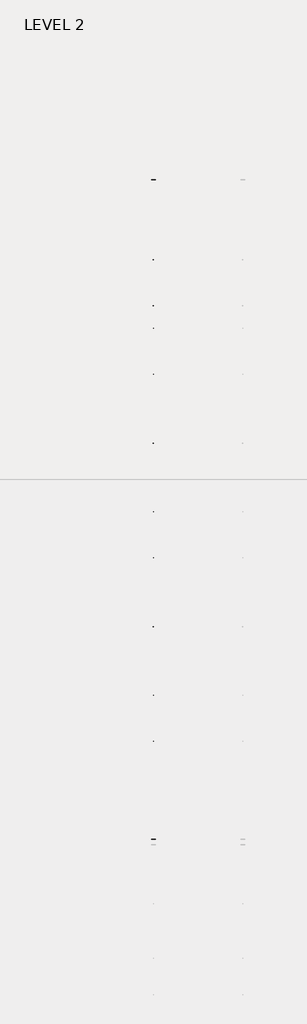
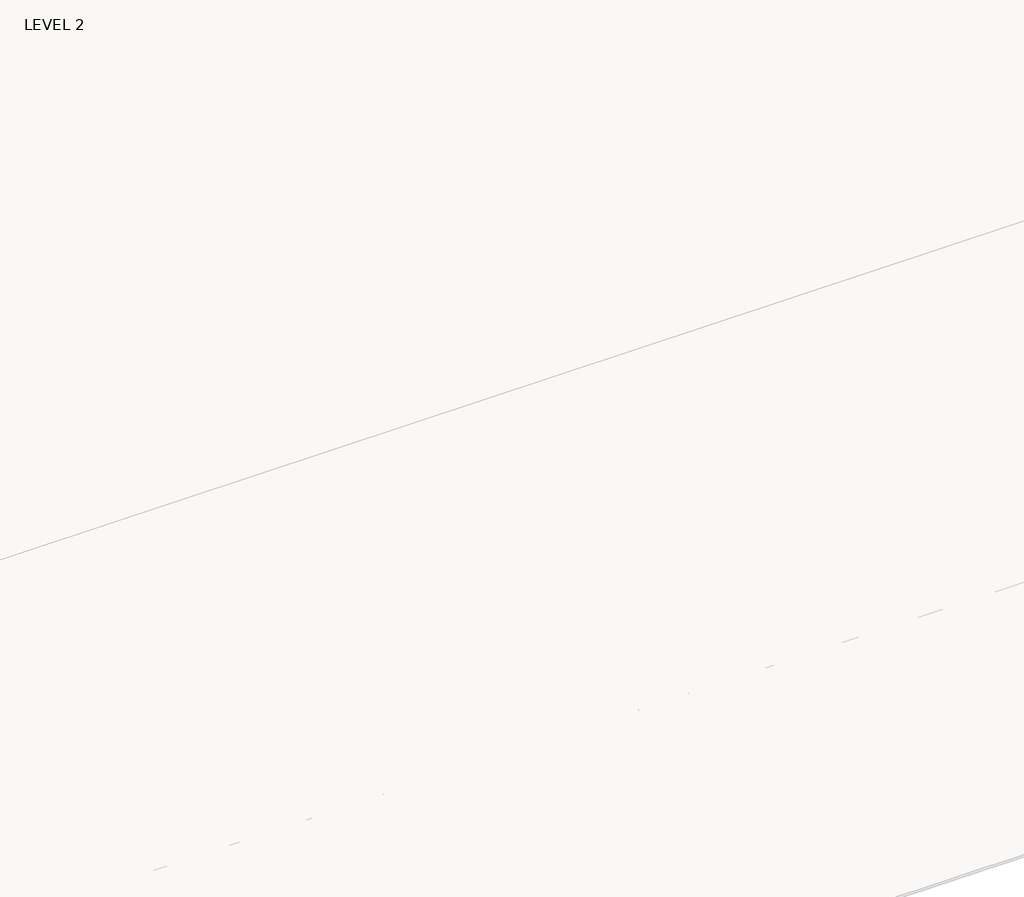
# One storey, part 48 of 67: 1 beam.
"""IFC4 building model written with IfcOpenShell, lengths in millimetres."""

from ifc_helpers import new_model, si_unit, frame, origin, place, context, project, spatial, polyline, outline, extrude, faceted_brep, element, save

model = new_model("IFC4")

# Units and contexts
model_context = context("Model", 3, world=origin())
ifc_project = project(units=[si_unit("LENGTHUNIT", "METRE", prefix="MILLI")], contexts=[model_context])

# Site, building, storey
site = spatial("IfcSite", under=ifc_project)
building = spatial("IfcBuilding", under=site)
storey = spatial("IfcBuildingStorey", under=building, Name="LEVEL 2", Elevation=6908.8)

# Beam
placement = place(None, origin())
element("IfcBeam", 1, ObjectType="K-Series Bar Joist-Angle Web : 30K7", at=placement, inside=storey, context=model_context, shape_type="SolidModel", body=[
    extrude(outline(polyline([(0.0, -9.525), (0.0, 0.0), (1596.011582, 0.0), (1596.011582, -9.525), (0.0, -9.525)])), frame((42280.4319742, 3035.5608234, 6301.5998528), z_axis=(0.0, -0.45537207995192985, 0.8903012236317849), x_axis=(0.0, -0.8903012236317849, -0.45537207995192985)), (0.0, 0.0, 1.0), 9.525),
    extrude(outline(polyline([(0.0, -9.525), (0.0, 0.0), (1596.011582, 0.0), (1596.011582, -9.525), (0.0, -9.525)])), frame((42270.9069742, -9405.2089013, 6276.405159), z_axis=(0.0, 0.45176233395621196, 0.8921383265046045), x_axis=(0.0, 0.8921383265046045, -0.45176233395621196)), (0.0, 0.0, 1.0), 9.525),
    extrude(outline(polyline([(4.7625, 4.7625), (4.7625, -4.7625), (-4.7625, -4.7625), (-4.7625, 4.7625), (4.7625, 4.7625)])), frame((42275.6694742, 1612.4610495, 5579.0607987), z_axis=(0.0, 0.5141906943646374, 0.8576758885667779), x_axis=(-1.0, 0.0, 0.0)), (0.0, 0.0, 1.0), 845.0528554),
    extrude(outline(polyline([(4.7625, 4.7625), (4.7625, -4.7625), (-4.7625, -4.7625), (-4.7625, 4.7625), (4.7625, 4.7625)])), frame((42275.6694742, -7979.1942813, 5559.6360505), z_axis=(0.0, -0.5176603441548682, 0.8555862131249332), x_axis=(-1.0, 0.0, 0.0)), (0.0, 0.0, 1.0), 845.0528554),
    extrude(outline(polyline([(0.0, 0.0), (31.75, 0.0), (31.75, -6.35), (6.35, -6.35), (6.35, -31.75), (0.0, -31.75), (0.0, 0.0)])), frame((42280.4319742, -8080.7812131, 5553.0803065), z_axis=(0.0, 0.9999979493462576, 0.0020251674695521043), x_axis=(1.0, 0.0, 0.0)), (0.0, 0.0, 1.0), 9794.875),
    extrude(outline(polyline([(-9.525, 0.0), (-9.525, -31.75), (-15.875, -31.75), (-15.875, -6.35), (-41.275, -6.35), (-41.275, 0.0), (-9.525, 0.0)])), frame((42280.4319742, -8080.7812131, 5553.0803065), z_axis=(0.0, 0.9999979493462576, 0.0020251674695521043), x_axis=(1.0, 0.0, 0.0)), (0.0, 0.0, 1.0), 9794.875),
    extrude(outline(polyline([(-31.75, 0.0), (0.0, 0.0), (0.0, -6.35), (-25.4, -6.35), (-25.4, -31.75), (-31.75, -31.75), (-31.75, 0.0)])), frame((42312.1819742, -9504.5928758, 6248.6982759), z_axis=(0.0, 0.9999979493462576, 0.0020251674695521043), x_axis=(1.0, 0.0, 0.0)), (0.0, 0.0, 1.0), 101.6),
    extrude(outline(polyline([(-41.275, 0.0), (-41.275, -31.75), (-47.625, -31.75), (-47.625, -6.35), (-73.025, -6.35), (-73.025, 0.0), (-41.275, 0.0)])), frame((42312.1819742, -9504.5928758, 6248.6982759), z_axis=(0.0, 0.9999979493462576, 0.0020251674695521043), x_axis=(1.0, 0.0, 0.0)), (0.0, 0.0, 1.0), 101.6),
    extrude(outline(polyline([(0.0, 0.0), (31.75, 0.0), (31.75, -6.35), (6.35, -6.35), (6.35, -31.75), (0.0, -31.75), (0.0, 0.0)])), frame((42270.9069742, 3033.456413, 6274.0899775), z_axis=(0.0, 0.9999979493462576, 0.0020251674695521043), x_axis=(0.0, -0.0020251674695521043, 0.9999979493462576)), (0.0, 0.0, 1.0), 101.6),
    extrude(outline(polyline([(0.0, 41.275), (6.35, 41.275), (6.35, 15.875), (31.75, 15.875), (31.75, 9.525), (0.0, 9.525), (0.0, 41.275)])), frame((42270.9069742, 3033.456413, 6274.0899775), z_axis=(0.0, 0.9999979493462576, 0.0020251674695521043), x_axis=(0.0, -0.0020251674695521043, 0.9999979493462576)), (0.0, 0.0, 1.0), 101.6),
    extrude(outline(polyline([(0.0, 0.0), (31.75, 0.0), (31.75, -6.35), (6.35, -6.35), (6.35, -31.75), (0.0, -31.75), (0.0, 0.0)])), frame((42280.4319742, -9504.7214739, 6312.1981457), z_axis=(0.0, 0.9999979493462576, 0.0020251674695521043), x_axis=(0.0, 0.0020251674695521043, -0.9999979493462576)), (0.0, 0.0, 1.0), 12639.675),
    extrude(outline(polyline([(0.0, 9.525), (0.0, 41.275), (6.35, 41.275), (6.35, 15.875), (31.75, 15.875), (31.75, 9.525), (0.0, 9.525)])), frame((42280.4319742, -9504.7214739, 6312.1981457), z_axis=(0.0, 0.9999979493462576, 0.0020251674695521043), x_axis=(0.0, 0.0020251674695521043, -0.9999979493462576)), (0.0, 0.0, 1.0), 12639.675),
    faceted_brep([(42275.6694742, 1612.4289, 5594.9357661), (42275.6694742, 1612.4674794, 5575.8858052), (42270.9069742, 1612.4674794, 5575.8858052), (42270.9069742, 1612.4289, 5594.9357661), (42275.6694742, 1611.5910583, 5594.9340693), (42275.6694742, 1186.8149607, 6330.6753354), (42275.6694742, 1168.6028414, 6330.6384527), (42275.6694742, 1168.6414208, 6311.5884918), (42275.6694742, 1175.8292494, 6311.6030483), (42275.6694742, 1600.6053471, 5575.8617823), (42270.9069742, 1600.6053471, 5575.8617823), (42270.9069742, 1580.4651011, 5610.7460665), (42270.9069742, 1584.5895575, 5613.1272983), (42270.9069742, 1189.1083632, 6298.1277874), (42270.9069742, 1184.9839067, 6295.7465555), (42270.9069742, 1175.8292494, 6311.6030483), (42270.9069742, 1168.6414208, 6311.5884918), (42270.9069742, 1168.6028414, 6330.6384527), (42270.9069742, 1186.8149607, 6330.6753354), (42270.9069742, 1611.5910583, 5594.9340693), (42258.2069742, 1184.9839067, 6295.7465555), (42258.2069742, 1580.4651011, 5610.7460665), (42258.2069742, 1584.5895575, 5613.1272983), (42258.2069742, 1189.1083632, 6298.1277874)], [[[0, 1, 2, 3]], [[1, 0, 4, 5, 6, 7, 8, 9]], [[2, 1, 9, 10]], [[3, 2, 10, 11, 12, 13, 14, 15, 16, 17, 18, 19]], [[0, 3, 19, 4]], [[9, 8, 15, 14, 20, 21, 11, 10]], [[5, 4, 19, 18]], [[7, 6, 17, 16]], [[8, 7, 16, 15]], [[6, 5, 18, 17]], [[21, 22, 12, 11]], [[20, 14, 13, 23]], [[22, 21, 20, 23]], [[12, 22, 23, 13]]]),
    extrude(outline(polyline([(740.498813, 5574.119919), (740.4602335, 5593.1698799), (741.2980751, 5593.1715767), (1163.090696, 6330.6272897), (1181.3028154, 6330.6641723), (1181.3413948, 6311.6142114), (1174.1535662, 6311.5996548), (752.3609453, 5574.1439418), (740.498813, 5574.119919)])), frame((42275.6694742, 0.0, 0.0), z_axis=(1.0, 0.0, 0.0), x_axis=(0.0, 1.0, 0.0)), (0.0, 0.0, 1.0), 4.7625),
    extrude(outline(polyline([(-4.7625, 4.7625), (-4.7625, 0.0), (-17.4625, 0.0), (-17.4625, 4.7625), (-4.7625, 4.7625)])), frame((42275.6694742, 772.3597334, 5609.1095144), z_axis=(0.0, 0.4964843899757221, 0.8680456500152716), x_axis=(-1.0, 0.0, 0.0)), (0.0, 0.0, 1.0), 790.9684223),
    faceted_brep([(42275.6694742, -7107.2577644, 5577.2769041), (42275.6694742, -7107.219185, 5558.2269432), (42270.9069742, -7107.219185, 5558.2269432), (42270.9069742, -7107.2577644, 5577.2769041), (42275.6694742, -7108.095606, 5577.2752074), (42275.6694742, -7532.8717036, 6313.0164734), (42275.6694742, -7551.083823, 6312.9795907), (42275.6694742, -7551.0452435, 6293.9296298), (42275.6694742, -7543.8574149, 6293.9441864), (42275.6694742, -7119.0813173, 5558.2029203), (42270.9069742, -7119.0813173, 5558.2029203), (42270.9069742, -7139.2215633, 5593.0872045), (42270.9069742, -7135.0971068, 5595.4684363), (42270.9069742, -7530.5783012, 6280.4689254), (42270.9069742, -7534.7027576, 6278.0876936), (42270.9069742, -7543.8574149, 6293.9441864), (42270.9069742, -7551.0452435, 6293.9296298), (42270.9069742, -7551.083823, 6312.9795907), (42270.9069742, -7532.8717036, 6313.0164734), (42270.9069742, -7108.095606, 5577.2752074), (42258.2069742, -7534.7027576, 6278.0876936), (42258.2069742, -7139.2215633, 5593.0872045), (42258.2069742, -7135.0971068, 5595.4684363), (42258.2069742, -7530.5783012, 6280.4689254)], [[[0, 1, 2, 3]], [[1, 0, 4, 5, 6, 7, 8, 9]], [[2, 1, 9, 10]], [[3, 2, 10, 11, 12, 13, 14, 15, 16, 17, 18, 19]], [[0, 3, 19, 4]], [[9, 8, 15, 14, 20, 21, 11, 10]], [[5, 4, 19, 18]], [[7, 6, 17, 16]], [[8, 7, 16, 15]], [[6, 5, 18, 17]], [[21, 22, 12, 11]], [[20, 14, 13, 23]], [[22, 21, 20, 23]], [[12, 22, 23, 13]]]),
    extrude(outline(polyline([(-7979.1878514, 5556.461057), (-7979.2264308, 5575.5110179), (-7978.3885892, 5575.5127147), (-7556.5959683, 6312.9684277), (-7538.383849, 6313.0053103), (-7538.3452696, 6293.9553494), (-7545.5330982, 6293.9407928), (-7967.3257191, 5556.4850798), (-7979.1878514, 5556.461057)])), frame((42275.6694742, 0.0, 0.0), z_axis=(1.0, 0.0, 0.0), x_axis=(0.0, 1.0, 0.0)), (0.0, 0.0, 1.0), 4.7625),
    extrude(outline(polyline([(-4.7625, 4.7625), (-4.7625, 0.0), (-17.4625, 0.0), (-17.4625, 4.7625), (-4.7625, 4.7625)])), frame((42275.6694742, -7947.326931, 5591.4506524), z_axis=(0.0, 0.4964843899757221, 0.8680456500152716), x_axis=(-1.0, 0.0, 0.0)), (0.0, 0.0, 1.0), 790.9684223),
    faceted_brep([(42275.6694742, 740.4602335, 5593.1698799), (42275.6694742, 740.498813, 5574.119919), (42270.9069742, 740.498813, 5574.119919), (42270.9069742, 740.4602335, 5593.1698799), (42275.6694742, 739.6223919, 5593.1681831), (42275.6694742, 314.8462943, 6328.9094492), (42275.6694742, 296.634175, 6328.8725665), (42275.6694742, 296.6727544, 6309.8226056), (42275.6694742, 303.860583, 6309.8371621), (42275.6694742, 728.6366806, 5574.0958961), (42270.9069742, 728.6366806, 5574.0958961), (42270.9069742, 708.4964346, 5608.9801803), (42270.9069742, 712.6208911, 5611.3614121), (42270.9069742, 317.1396968, 6296.3619012), (42270.9069742, 313.0152403, 6293.9806693), (42270.9069742, 303.860583, 6309.8371621), (42270.9069742, 296.6727544, 6309.8226056), (42270.9069742, 296.634175, 6328.8725665), (42270.9069742, 314.8462943, 6328.9094492), (42270.9069742, 739.6223919, 5593.1681831), (42258.2069742, 313.0152403, 6293.9806693), (42258.2069742, 708.4964346, 5608.9801803), (42258.2069742, 712.6208911, 5611.3614121), (42258.2069742, 317.1396968, 6296.3619012)], [[[0, 1, 2, 3]], [[1, 0, 4, 5, 6, 7, 8, 9]], [[2, 1, 9, 10]], [[3, 2, 10, 11, 12, 13, 14, 15, 16, 17, 18, 19]], [[0, 3, 19, 4]], [[9, 8, 15, 14, 20, 21, 11, 10]], [[5, 4, 19, 18]], [[7, 6, 17, 16]], [[8, 7, 16, 15]], [[6, 5, 18, 17]], [[21, 22, 12, 11]], [[20, 14, 13, 23]], [[22, 21, 20, 23]], [[12, 22, 23, 13]]]),
    extrude(outline(polyline([(-131.4698535, 5572.3540328), (-131.5084329, 5591.4039937), (-130.6705913, 5591.4056905), (291.1220296, 6328.8614035), (309.3341489, 6328.8982861), (309.3727284, 6309.8483252), (302.1848998, 6309.8337686), (-119.6077211, 5572.3780556), (-131.4698535, 5572.3540328)])), frame((42275.6694742, 0.0, 0.0), z_axis=(1.0, 0.0, 0.0), x_axis=(0.0, 1.0, 0.0)), (0.0, 0.0, 1.0), 4.7625),
    extrude(outline(polyline([(-4.7625, 4.7625), (-4.7625, 0.0), (-17.4625, 0.0), (-17.4625, 4.7625), (-4.7625, 4.7625)])), frame((42275.6694742, -99.6089331, 5607.3436282), z_axis=(0.0, 0.4964843899757221, 0.8680456500152716), x_axis=(-1.0, 0.0, 0.0)), (0.0, 0.0, 1.0), 790.9684223),
    faceted_brep([(42275.6694742, -131.5084329, 5591.4039937), (42275.6694742, -131.4698535, 5572.3540328), (42270.9069742, -131.4698535, 5572.3540328), (42270.9069742, -131.5084329, 5591.4039937), (42275.6694742, -132.3462745, 5591.4022969), (42275.6694742, -557.1223722, 6327.143563), (42275.6694742, -575.3344915, 6327.1066803), (42275.6694742, -575.295912, 6308.0567194), (42275.6694742, -568.1080834, 6308.0712759), (42275.6694742, -143.3319858, 5572.3300099), (42270.9069742, -143.3319858, 5572.3300099), (42270.9069742, -163.4722318, 5607.2142941), (42270.9069742, -159.3477753, 5609.5955259), (42270.9069742, -554.8289697, 6294.596015), (42270.9069742, -558.9534262, 6292.2147831), (42270.9069742, -568.1080834, 6308.0712759), (42270.9069742, -575.295912, 6308.0567194), (42270.9069742, -575.3344915, 6327.1066803), (42270.9069742, -557.1223722, 6327.143563), (42270.9069742, -132.3462745, 5591.4022969), (42258.2069742, -558.9534262, 6292.2147831), (42258.2069742, -163.4722318, 5607.2142941), (42258.2069742, -159.3477753, 5609.5955259), (42258.2069742, -554.8289697, 6294.596015)], [[[0, 1, 2, 3]], [[1, 0, 4, 5, 6, 7, 8, 9]], [[2, 1, 9, 10]], [[3, 2, 10, 11, 12, 13, 14, 15, 16, 17, 18, 19]], [[0, 3, 19, 4]], [[9, 8, 15, 14, 20, 21, 11, 10]], [[5, 4, 19, 18]], [[7, 6, 17, 16]], [[8, 7, 16, 15]], [[6, 5, 18, 17]], [[21, 22, 12, 11]], [[20, 14, 13, 23]], [[22, 21, 20, 23]], [[12, 22, 23, 13]]]),
    extrude(outline(polyline([(-1003.4385199, 5570.5881466), (-1003.4770993, 5589.6381075), (-1002.6392577, 5589.6398043), (-580.8466368, 6327.0955173), (-562.6345175, 6327.1323999), (-562.5959381, 6308.082439), (-569.7837667, 6308.0678824), (-991.5763876, 5570.6121694), (-1003.4385199, 5570.5881466)])), frame((42275.6694742, 0.0, 0.0), z_axis=(1.0, 0.0, 0.0), x_axis=(0.0, 1.0, 0.0)), (0.0, 0.0, 1.0), 4.7625),
    extrude(outline(polyline([(-4.7625, 4.7625), (-4.7625, 0.0), (-17.4625, 0.0), (-17.4625, 4.7625), (-4.7625, 4.7625)])), frame((42275.6694742, -971.5775995, 5605.577742), z_axis=(0.0, 0.4964843899757221, 0.8680456500152716), x_axis=(-1.0, 0.0, 0.0)), (0.0, 0.0, 1.0), 790.9684223),
    faceted_brep([(42275.6694742, -1003.4770993, 5589.6381075), (42275.6694742, -1003.4385199, 5570.5881466), (42270.9069742, -1003.4385199, 5570.5881466), (42270.9069742, -1003.4770993, 5589.6381075), (42275.6694742, -1004.314941, 5589.6364107), (42275.6694742, -1429.0910386, 6325.3776768), (42275.6694742, -1447.3031579, 6325.3407941), (42275.6694742, -1447.2645785, 6306.2908332), (42275.6694742, -1440.0767499, 6306.3053897), (42275.6694742, -1015.3006522, 5570.5641237), (42270.9069742, -1015.3006522, 5570.5641237), (42270.9069742, -1035.4408983, 5605.4484079), (42270.9069742, -1031.3164418, 5607.8296397), (42270.9069742, -1426.7976361, 6292.8301288), (42270.9069742, -1430.9220926, 6290.4488969), (42270.9069742, -1440.0767499, 6306.3053897), (42270.9069742, -1447.2645785, 6306.2908332), (42270.9069742, -1447.3031579, 6325.3407941), (42270.9069742, -1429.0910386, 6325.3776768), (42270.9069742, -1004.314941, 5589.6364107), (42258.2069742, -1430.9220926, 6290.4488969), (42258.2069742, -1035.4408983, 5605.4484079), (42258.2069742, -1031.3164418, 5607.8296397), (42258.2069742, -1426.7976361, 6292.8301288)], [[[0, 1, 2, 3]], [[1, 0, 4, 5, 6, 7, 8, 9]], [[2, 1, 9, 10]], [[3, 2, 10, 11, 12, 13, 14, 15, 16, 17, 18, 19]], [[0, 3, 19, 4]], [[9, 8, 15, 14, 20, 21, 11, 10]], [[5, 4, 19, 18]], [[7, 6, 17, 16]], [[8, 7, 16, 15]], [[6, 5, 18, 17]], [[21, 22, 12, 11]], [[20, 14, 13, 23]], [[22, 21, 20, 23]], [[12, 22, 23, 13]]]),
    extrude(outline(polyline([(-1875.4071863, 5568.8222604), (-1875.4457658, 5587.8722213), (-1874.6079242, 5587.8739181), (-1452.8153033, 6325.3296311), (-1434.6031839, 6325.3665137), (-1434.5646045, 6306.3165528), (-1441.7524331, 6306.3019962), (-1863.545054, 5568.8462832), (-1875.4071863, 5568.8222604)])), frame((42275.6694742, 0.0, 0.0), z_axis=(1.0, 0.0, 0.0), x_axis=(0.0, 1.0, 0.0)), (0.0, 0.0, 1.0), 4.7625),
    extrude(outline(polyline([(-4.7625, 4.7625001), (-4.7625, 0.0), (-17.4625, 0.0), (-17.4625, 4.7625001), (-4.7625, 4.7625001)])), frame((42275.6694742, -1843.5462659, 5603.8118558), z_axis=(0.0, 0.4964843899757221, 0.8680456500152716), x_axis=(-1.0, 0.0, 0.0)), (0.0, 0.0, 1.0), 790.9684223),
    faceted_brep([(42275.6694742, -1875.4457658, 5587.8722213), (42275.6694742, -1875.4071863, 5568.8222604), (42270.9069742, -1875.4071863, 5568.8222604), (42270.9069742, -1875.4457658, 5587.8722213), (42275.6694742, -1876.2836074, 5587.8705245), (42275.6694742, -2301.059705, 6323.6117906), (42275.6694742, -2319.2718243, 6323.5749079), (42275.6694742, -2319.2332449, 6304.524947), (42275.6694742, -2312.0454163, 6304.5395035), (42275.6694742, -1887.2693187, 5568.7982375), (42270.9069742, -1887.2693187, 5568.7982375), (42270.9069742, -1907.4095647, 5603.6825217), (42270.9069742, -1903.2851082, 5606.0637535), (42270.9069742, -2298.7663026, 6291.0642426), (42270.9069742, -2302.890759, 6288.6830107), (42270.9069742, -2312.0454163, 6304.5395035), (42270.9069742, -2319.2332449, 6304.524947), (42270.9069742, -2319.2718243, 6323.5749079), (42270.9069742, -2301.059705, 6323.6117906), (42270.9069742, -1876.2836074, 5587.8705245), (42258.2069742, -2302.890759, 6288.6830107), (42258.2069742, -1907.4095647, 5603.6825217), (42258.2069742, -1903.2851082, 5606.0637535), (42258.2069742, -2298.7663026, 6291.0642426)], [[[0, 1, 2, 3]], [[1, 0, 4, 5, 6, 7, 8, 9]], [[2, 1, 9, 10]], [[3, 2, 10, 11, 12, 13, 14, 15, 16, 17, 18, 19]], [[0, 3, 19, 4]], [[9, 8, 15, 14, 20, 21, 11, 10]], [[5, 4, 19, 18]], [[7, 6, 17, 16]], [[8, 7, 16, 15]], [[6, 5, 18, 17]], [[21, 22, 12, 11]], [[20, 14, 13, 23]], [[22, 21, 20, 23]], [[12, 22, 23, 13]]]),
    extrude(outline(polyline([(-2747.3758528, 5567.0563742), (-2747.4144322, 5586.1063351), (-2746.5765906, 5586.1080319), (-2324.7839697, 6323.5637449), (-2306.5718504, 6323.6006275), (-2306.5332709, 6304.5506666), (-2313.7210995, 6304.53611), (-2735.5137204, 5567.080397), (-2747.3758528, 5567.0563742)])), frame((42275.6694742, 0.0, 0.0), z_axis=(1.0, 0.0, 0.0), x_axis=(0.0, 1.0, 0.0)), (0.0, 0.0, 1.0), 4.7625),
    extrude(outline(polyline([(-4.7625, 4.7625), (-4.7625, 0.0), (-17.4625, 0.0), (-17.4625, 4.7625), (-4.7625, 4.7625)])), frame((42275.6694742, -2715.5149324, 5602.0459696), z_axis=(0.0, 0.4964843899757221, 0.8680456500152716), x_axis=(-1.0, 0.0, 0.0)), (0.0, 0.0, 1.0), 790.9684223),
    faceted_brep([(42275.6694742, -2747.4144322, 5586.1063351), (42275.6694742, -2747.3758528, 5567.0563742), (42270.9069742, -2747.3758528, 5567.0563742), (42270.9069742, -2747.4144322, 5586.1063351), (42275.6694742, -2748.2522738, 5586.1046383), (42275.6694742, -3173.0283715, 6321.8459044), (42275.6694742, -3191.2404908, 6321.8090217), (42275.6694742, -3191.2019113, 6302.7590608), (42275.6694742, -3184.0140827, 6302.7736173), (42275.6694742, -2759.2379851, 5567.0323513), (42270.9069742, -2759.2379851, 5567.0323513), (42270.9069742, -2779.3782311, 5601.9166355), (42270.9069742, -2775.2537747, 5604.2978673), (42270.9069742, -3170.734969, 6289.2983564), (42270.9069742, -3174.8594255, 6286.9171245), (42270.9069742, -3184.0140827, 6302.7736173), (42270.9069742, -3191.2019113, 6302.7590608), (42270.9069742, -3191.2404908, 6321.8090217), (42270.9069742, -3173.0283715, 6321.8459044), (42270.9069742, -2748.2522738, 5586.1046383), (42258.2069742, -3174.8594255, 6286.9171245), (42258.2069742, -2779.3782311, 5601.9166355), (42258.2069742, -2775.2537747, 5604.2978673), (42258.2069742, -3170.734969, 6289.2983564)], [[[0, 1, 2, 3]], [[1, 0, 4, 5, 6, 7, 8, 9]], [[2, 1, 9, 10]], [[3, 2, 10, 11, 12, 13, 14, 15, 16, 17, 18, 19]], [[0, 3, 19, 4]], [[9, 8, 15, 14, 20, 21, 11, 10]], [[5, 4, 19, 18]], [[7, 6, 17, 16]], [[8, 7, 16, 15]], [[6, 5, 18, 17]], [[21, 22, 12, 11]], [[20, 14, 13, 23]], [[22, 21, 20, 23]], [[12, 22, 23, 13]]]),
    extrude(outline(polyline([(-3619.3445192, 5565.290488), (-3619.3830987, 5584.3404489), (-3618.545257, 5584.3421457), (-3196.7526361, 6321.7978587), (-3178.5405168, 6321.8347413), (-3178.5019374, 6302.7847804), (-3185.689766, 6302.7702238), (-3607.4823869, 5565.3145108), (-3619.3445192, 5565.290488)])), frame((42275.6694742, 0.0, 0.0), z_axis=(1.0, 0.0, 0.0), x_axis=(0.0, 1.0, 0.0)), (0.0, 0.0, 1.0), 4.7625),
    extrude(outline(polyline([(-4.7625, 4.7625), (-4.7625, 0.0), (-17.4625, 0.0), (-17.4625, 4.7625), (-4.7625, 4.7625)])), frame((42275.6694742, -3587.4835988, 5600.2800834), z_axis=(0.0, 0.4964843899757221, 0.8680456500152716), x_axis=(-1.0, 0.0, 0.0)), (0.0, 0.0, 1.0), 790.9684223),
    faceted_brep([(42275.6694742, -3619.3830987, 5584.3404489), (42275.6694742, -3619.3445192, 5565.290488), (42270.9069742, -3619.3445192, 5565.290488), (42270.9069742, -3619.3830987, 5584.3404489), (42275.6694742, -3620.2209403, 5584.3387521), (42275.6694742, -4044.9970379, 6320.0800182), (42275.6694742, -4063.2091572, 6320.0431355), (42275.6694742, -4063.1705778, 6300.9931746), (42275.6694742, -4055.9827492, 6301.0077311), (42275.6694742, -3631.2066516, 5565.2664651), (42270.9069742, -3631.2066516, 5565.2664651), (42270.9069742, -3651.3468976, 5600.1507493), (42270.9069742, -3647.2224411, 5602.5319811), (42270.9069742, -4042.7036354, 6287.5324702), (42270.9069742, -4046.8280919, 6285.1512383), (42270.9069742, -4055.9827492, 6301.0077311), (42270.9069742, -4063.1705778, 6300.9931746), (42270.9069742, -4063.2091572, 6320.0431355), (42270.9069742, -4044.9970379, 6320.0800182), (42270.9069742, -3620.2209403, 5584.3387521), (42258.2069742, -4046.8280919, 6285.1512383), (42258.2069742, -3651.3468976, 5600.1507493), (42258.2069742, -3647.2224411, 5602.5319811), (42258.2069742, -4042.7036354, 6287.5324702)], [[[0, 1, 2, 3]], [[1, 0, 4, 5, 6, 7, 8, 9]], [[2, 1, 9, 10]], [[3, 2, 10, 11, 12, 13, 14, 15, 16, 17, 18, 19]], [[0, 3, 19, 4]], [[9, 8, 15, 14, 20, 21, 11, 10]], [[5, 4, 19, 18]], [[7, 6, 17, 16]], [[8, 7, 16, 15]], [[6, 5, 18, 17]], [[21, 22, 12, 11]], [[20, 14, 13, 23]], [[22, 21, 20, 23]], [[12, 22, 23, 13]]]),
    extrude(outline(polyline([(-4491.3131857, 5563.5246018), (-4491.3517651, 5582.5745627), (-4490.5139235, 5582.5762595), (-4068.7213026, 6320.0319725), (-4050.5091833, 6320.0688551), (-4050.4706038, 6301.0188942), (-4057.6584324, 6301.0043376), (-4479.4510533, 5563.5486246), (-4491.3131857, 5563.5246018)])), frame((42275.6694742, 0.0, 0.0), z_axis=(1.0, 0.0, 0.0), x_axis=(0.0, 1.0, 0.0)), (0.0, 0.0, 1.0), 4.7625),
    extrude(outline(polyline([(-4.7625, 4.7625), (-4.7625, 0.0), (-17.4625, 0.0), (-17.4625, 4.7625), (-4.7625, 4.7625)])), frame((42275.6694742, -4459.4522653, 5598.5141972), z_axis=(0.0, 0.4964843899757221, 0.8680456500152716), x_axis=(-1.0, 0.0, 0.0)), (0.0, 0.0, 1.0), 790.9684223),
    faceted_brep([(42275.6694742, -4491.3517651, 5582.5745627), (42275.6694742, -4491.3131857, 5563.5246018), (42270.9069742, -4491.3131857, 5563.5246018), (42270.9069742, -4491.3517651, 5582.5745627), (42275.6694742, -4492.1896067, 5582.572866), (42275.6694742, -4916.9657043, 6318.314132), (42275.6694742, -4935.1778236, 6318.2772493), (42275.6694742, -4935.1392442, 6299.2272884), (42275.6694742, -4927.9514156, 6299.241845), (42275.6694742, -4503.175318, 5563.5005789), (42270.9069742, -4503.175318, 5563.5005789), (42270.9069742, -4523.315564, 5598.3848631), (42270.9069742, -4519.1911075, 5600.7660949), (42270.9069742, -4914.6723019, 6285.766584), (42270.9069742, -4918.7967583, 6283.3853521), (42270.9069742, -4927.9514156, 6299.241845), (42270.9069742, -4935.1392442, 6299.2272884), (42270.9069742, -4935.1778236, 6318.2772493), (42270.9069742, -4916.9657043, 6318.314132), (42270.9069742, -4492.1896067, 5582.572866), (42258.2069742, -4918.7967583, 6283.3853521), (42258.2069742, -4523.315564, 5598.3848631), (42258.2069742, -4519.1911075, 5600.7660949), (42258.2069742, -4914.6723019, 6285.766584)], [[[0, 1, 2, 3]], [[1, 0, 4, 5, 6, 7, 8, 9]], [[2, 1, 9, 10]], [[3, 2, 10, 11, 12, 13, 14, 15, 16, 17, 18, 19]], [[0, 3, 19, 4]], [[9, 8, 15, 14, 20, 21, 11, 10]], [[5, 4, 19, 18]], [[7, 6, 17, 16]], [[8, 7, 16, 15]], [[6, 5, 18, 17]], [[21, 22, 12, 11]], [[20, 14, 13, 23]], [[22, 21, 20, 23]], [[12, 22, 23, 13]]]),
    extrude(outline(polyline([(-5363.2818521, 5561.7587156), (-5363.3204315, 5580.8086765), (-5362.4825899, 5580.8103733), (-4940.689969, 6318.2660863), (-4922.4778497, 6318.3029689), (-4922.4392703, 6299.253008), (-4929.6270988, 6299.2384514), (-5351.4197198, 5561.7827384), (-5363.2818521, 5561.7587156)])), frame((42275.6694742, 0.0, 0.0), z_axis=(1.0, 0.0, 0.0), x_axis=(0.0, 1.0, 0.0)), (0.0, 0.0, 1.0), 4.7625),
    extrude(outline(polyline([(-4.7625, 4.7625), (-4.7625, 0.0), (-17.4625, 0.0), (-17.4625, 4.7625), (-4.7625, 4.7625)])), frame((42275.6694742, -5331.4209317, 5596.748311), z_axis=(0.0, 0.4964843899757221, 0.8680456500152716), x_axis=(-1.0, 0.0, 0.0)), (0.0, 0.0, 1.0), 790.9684223),
    faceted_brep([(42275.6694742, -5363.3204315, 5580.8086765), (42275.6694742, -5363.2818521, 5561.7587156), (42270.9069742, -5363.2818521, 5561.7587156), (42270.9069742, -5363.3204315, 5580.8086765), (42275.6694742, -5364.1582731, 5580.8069798), (42275.6694742, -5788.9343708, 6316.5482458), (42275.6694742, -5807.1464901, 6316.5113631), (42275.6694742, -5807.1079106, 6297.4614022), (42275.6694742, -5799.920082, 6297.4759588), (42275.6694742, -5375.1439844, 5561.7346927), (42270.9069742, -5375.1439844, 5561.7346927), (42270.9069742, -5395.2842304, 5596.6189769), (42270.9069742, -5391.159774, 5599.0002087), (42270.9069742, -5786.6409683, 6284.0006978), (42270.9069742, -5790.7654248, 6281.6194659), (42270.9069742, -5799.920082, 6297.4759588), (42270.9069742, -5807.1079106, 6297.4614022), (42270.9069742, -5807.1464901, 6316.5113631), (42270.9069742, -5788.9343708, 6316.5482458), (42270.9069742, -5364.1582731, 5580.8069798), (42258.2069742, -5790.7654248, 6281.6194659), (42258.2069742, -5395.2842304, 5596.6189769), (42258.2069742, -5391.159774, 5599.0002087), (42258.2069742, -5786.6409683, 6284.0006978)], [[[0, 1, 2, 3]], [[1, 0, 4, 5, 6, 7, 8, 9]], [[2, 1, 9, 10]], [[3, 2, 10, 11, 12, 13, 14, 15, 16, 17, 18, 19]], [[0, 3, 19, 4]], [[9, 8, 15, 14, 20, 21, 11, 10]], [[5, 4, 19, 18]], [[7, 6, 17, 16]], [[8, 7, 16, 15]], [[6, 5, 18, 17]], [[21, 22, 12, 11]], [[20, 14, 13, 23]], [[22, 21, 20, 23]], [[12, 22, 23, 13]]]),
    extrude(outline(polyline([(-6235.2505185, 5559.9928294), (-6235.289098, 5579.0427903), (-6234.4512563, 5579.0444871), (-5812.6586354, 6316.5002001), (-5794.4465161, 6316.5370827), (-5794.4079367, 6297.4871218), (-5801.5957653, 6297.4725652), (-6223.3883862, 5560.0168522), (-6235.2505185, 5559.9928294)])), frame((42275.6694742, 0.0, 0.0), z_axis=(1.0, 0.0, 0.0), x_axis=(0.0, 1.0, 0.0)), (0.0, 0.0, 1.0), 4.7625),
    extrude(outline(polyline([(-4.7625, 4.7625), (-4.7625, 0.0), (-17.4625, 0.0), (-17.4625, 4.7625), (-4.7625, 4.7625)])), frame((42275.6694742, -6203.3895981, 5594.9824248), z_axis=(0.0, 0.4964843899757221, 0.8680456500152716), x_axis=(-1.0, 0.0, 0.0)), (0.0, 0.0, 1.0), 790.9684223),
    faceted_brep([(42275.6694742, -6235.289098, 5579.0427903), (42275.6694742, -6235.2505185, 5559.9928294), (42270.9069742, -6235.2505185, 5559.9928294), (42270.9069742, -6235.289098, 5579.0427903), (42275.6694742, -6236.1269396, 5579.0410936), (42275.6694742, -6660.9030372, 6314.7823596), (42275.6694742, -6679.1151565, 6314.7454769), (42275.6694742, -6679.0765771, 6295.695516), (42275.6694742, -6671.8887485, 6295.7100726), (42275.6694742, -6247.1126509, 5559.9688065), (42270.9069742, -6247.1126509, 5559.9688065), (42270.9069742, -6267.2528969, 5594.8530907), (42270.9069742, -6263.1284404, 5597.2343225), (42270.9069742, -6658.6096347, 6282.2348116), (42270.9069742, -6662.7340912, 6279.8535798), (42270.9069742, -6671.8887485, 6295.7100726), (42270.9069742, -6679.0765771, 6295.695516), (42270.9069742, -6679.1151565, 6314.7454769), (42270.9069742, -6660.9030372, 6314.7823596), (42270.9069742, -6236.1269396, 5579.0410936), (42258.2069742, -6662.7340912, 6279.8535798), (42258.2069742, -6267.2528969, 5594.8530907), (42258.2069742, -6263.1284404, 5597.2343225), (42258.2069742, -6658.6096347, 6282.2348116)], [[[0, 1, 2, 3]], [[1, 0, 4, 5, 6, 7, 8, 9]], [[2, 1, 9, 10]], [[3, 2, 10, 11, 12, 13, 14, 15, 16, 17, 18, 19]], [[0, 3, 19, 4]], [[9, 8, 15, 14, 20, 21, 11, 10]], [[5, 4, 19, 18]], [[7, 6, 17, 16]], [[8, 7, 16, 15]], [[6, 5, 18, 17]], [[21, 22, 12, 11]], [[20, 14, 13, 23]], [[22, 21, 20, 23]], [[12, 22, 23, 13]]]),
    extrude(outline(polyline([(-7107.219185, 5558.2269432), (-7107.2577644, 5577.2769041), (-7106.4199228, 5577.2786009), (-6684.6273019, 6314.7343139), (-6666.4151826, 6314.7711965), (-6666.3766031, 6295.7212356), (-6673.5644317, 6295.706679), (-7095.3570526, 5558.250966), (-7107.219185, 5558.2269432)])), frame((42275.6694742, 0.0, 0.0), z_axis=(1.0, 0.0, 0.0), x_axis=(0.0, 1.0, 0.0)), (0.0, 0.0, 1.0), 4.7625),
    extrude(outline(polyline([(-4.7625, 4.7625), (-4.7625, 0.0), (-17.4625, 0.0), (-17.4625, 4.7625), (-4.7625, 4.7625)])), frame((42275.6694742, -7075.3582646, 5593.2165386), z_axis=(0.0, 0.4964843899757221, 0.8680456500152716), x_axis=(-1.0, 0.0, 0.0)), (0.0, 0.0, 1.0), 790.9684223),
])

save(model, "model.ifc")
